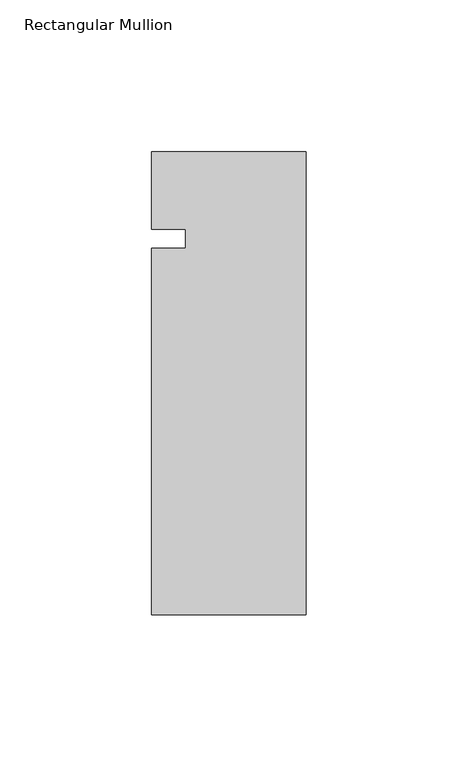
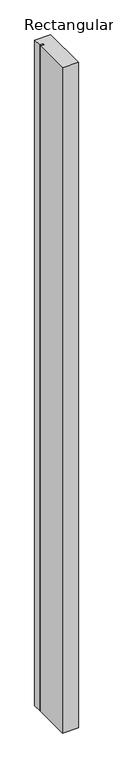
"""IFC4 building model written with IfcOpenShell, lengths in millimetres: member geometry, Rectangular Mullion."""

from ifc_helpers import new_model, si_unit, frame, origin, place, context, project, spatial, polyline, outline, extrude, source, transform, mapped, element, save


def rectangular_mullion_20280a7b(model_context):
    return source(origin(), model_context, "Body", "SweptSolid", [
        extrude(outline(polyline([(-50.8, -31.75), (-39.7002, -31.75), (-39.7002, -25.4), (-50.8, -25.4), (-50.8, 0.0), (0.0, 0.0), (0.0, -152.4), (-50.8, -152.4), (-50.8, -31.75)])), frame((0.0, 0.0, -2235.199416), z_axis=(0.0, 0.0, 1.0), x_axis=(1.0, 0.0, 0.0)), (0.0, 0.0, 1.0), 2235.199416),
    ])


if __name__ == "__main__":
    model = new_model("IFC4")
    model_context = context("Model", 3, world=origin())
    ifc_project = project(units=[si_unit("LENGTHUNIT", "METRE", prefix="MILLI")], contexts=[model_context])
    site = spatial("IfcSite", under=ifc_project)
    building = spatial("IfcBuilding", under=site)
    placement = place(None, origin())
    rectangular_mullion_shape = rectangular_mullion_20280a7b(model_context)
    element("IfcMember", 1, ObjectType="Rectangular Mullion", at=placement, inside=building, context=model_context, shape_type="MappedRepresentation", body=[
        mapped(rectangular_mullion_shape, transform((0.0, 0.0, 0.0), x_axis=(1.0, 0.0, 0.0), y_axis=(0.0, 1.0, 0.0), z_axis=(0.0, 0.0, 1.0))),
    ])
    save(model, "model.ifc")
